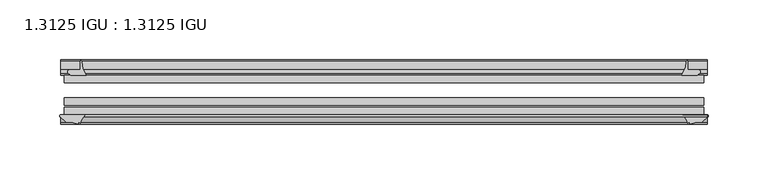
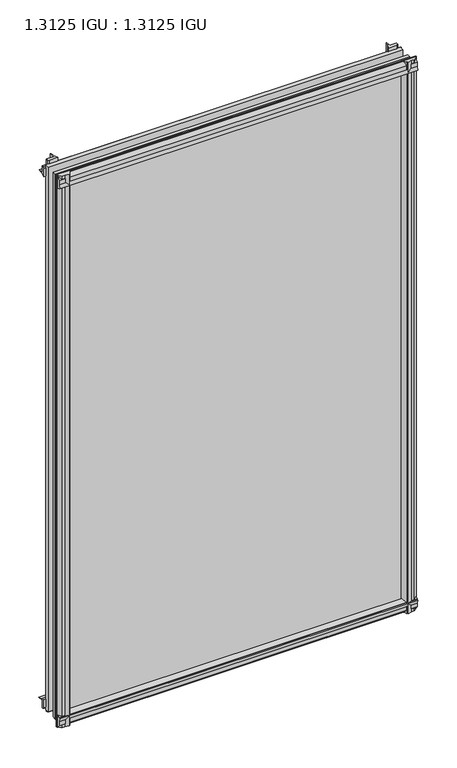
"""IFC4 building model written with IfcOpenShell, lengths in millimetres: plate geometry, 1.3125 IGU : 1.3125 IGU."""

from ifc_helpers import new_model, si_unit, point, frame, frame_2d, origin, place, context, project, spatial, polyline, circle_curve, trimmed, segment, composite_curve, outline, extrude, source, transform, mapped, element, save


def plate_1_3125_igu_1_3125_igu_10ec02ab(model_context):
    return source(origin(), model_context, "Body", "SweptSolid", [
        extrude(outline(composite_curve([segment(polyline([(-22.094825, 0.0), (-22.094825, -9.916835)]), True, "CONTINUOUS"), segment(trimmed(circle_curve(frame_2d((-23.669625, -9.916835)), 1.5748), [point((-22.094825, -9.916835))], [point((-24.8706146, -10.9354709))], False, "CARTESIAN"), True, "CONTINUOUS"), segment(polyline([(-24.8706146, -10.9354709), (-26.590625, -8.9075484), (-26.590625, 4.0446407)]), True, "CONTINUOUS"), segment(trimmed(circle_curve(frame_2d((-7.1839113, 38.4138813)), 39.4698015), [point((-26.590625, 4.0446407))], [point((-19.4504626, 0.8985917))], True, "CARTESIAN"), True, "CONTINUOUS"), segment(polyline([(-19.4504626, 0.8985917), (-13.3986538, 0.0), (-22.094825, 0.0)]), True, "CONTINUOUS")], self_intersect=False)), frame((-271.0672856, 0.0, 0.0), z_axis=(1.0, 0.0, 0.0), x_axis=(0.0, 1.0, 0.0)), (0.0, 0.0, 1.0), 542.1345713),
        extrude(outline(composite_curve([segment(trimmed(circle_curve(frame_2d((-67.8737919, 9.6311377)), 10.5748618), [point((-66.062225, -0.7874))], [point((-59.712225, 2.9068141))], True, "CARTESIAN"), True, "CONTINUOUS"), segment(polyline([(-59.712225, 2.9068141), (-59.712225, -18.0442511)]), True, "CONTINUOUS"), segment(trimmed(circle_curve(frame_2d((-60.728225, -18.0442511)), 1.016), [point((-59.712225, -18.0442511))], [point((-61.4950672, -18.7107412))], False, "CARTESIAN"), True, "CONTINUOUS"), segment(polyline([(-61.4950672, -18.7107412), (-66.062225, -13.4559149), (-66.062225, -7.4520336), (-67.637025, -1.5748), (-66.062225, -1.5748), (-66.062225, -0.7874)]), True, "CONTINUOUS")], self_intersect=False)), frame((-271.0672856, 0.0, 0.0), z_axis=(1.0, 0.0, 0.0), x_axis=(0.0, 1.0, 0.0)), (0.0, 0.0, 1.0), 542.1345713),
        extrude(outline(composite_curve([segment(polyline([(-66.062225, 857.9598774), (-61.4950672, 863.2147037)]), True, "CONTINUOUS"), segment(trimmed(circle_curve(frame_2d((-60.728225, 862.5482136)), 1.016), [point((-61.4950672, 863.2147037))], [point((-59.712225, 862.5482136))], False, "CARTESIAN"), True, "CONTINUOUS"), segment(polyline([(-59.712225, 862.5482136), (-59.712225, 842.0230921)]), True, "CONTINUOUS"), segment(trimmed(circle_curve(frame_2d((-66.4211348, 836.3932283)), 8.7581298), [point((-59.712225, 842.0230921))], [point((-66.062225, 845.1440009))], True, "CARTESIAN"), True, "CONTINUOUS"), segment(polyline([(-66.062225, 845.1440009), (-66.062225, 846.0787625), (-67.637025, 846.0787625), (-66.062225, 851.9559961), (-66.062225, 857.9598774)]), True, "CONTINUOUS")], self_intersect=False)), frame((-271.0672856, 0.0, 0.0), z_axis=(1.0, 0.0, 0.0), x_axis=(0.0, 1.0, 0.0)), (0.0, 0.0, 1.0), 542.1345713),
        extrude(outline(composite_curve([segment(polyline([(-26.590625, 840.4593218), (-26.590625, 853.4115109), (-24.8706146, 855.4394334)]), True, "CONTINUOUS"), segment(trimmed(circle_curve(frame_2d((-23.669625, 854.4207975)), 1.5748), [point((-24.8706146, 855.4394334))], [point((-22.094825, 854.4207975))], False, "CARTESIAN"), True, "CONTINUOUS"), segment(polyline([(-22.094825, 854.4207975), (-22.094825, 844.55), (-14.5883882, 844.55), (-18.3240316, 843.7633459)]), True, "CONTINUOUS"), segment(trimmed(circle_curve(frame_2d((-16.4585419, 831.134903)), 12.7654855), [point((-18.3240316, 843.7633459))], [point((-20.5939581, 843.2119869))], True, "CARTESIAN"), True, "CONTINUOUS"), segment(trimmed(circle_curve(frame_2d((-7.1839113, 806.0900812)), 39.4698015), [point((-20.5939581, 843.2119869))], [point((-26.590625, 840.4593218))], True, "CARTESIAN"), True, "CONTINUOUS")], self_intersect=False)), frame((-271.0672856, 0.0, 0.0), z_axis=(1.0, 0.0, 0.0), x_axis=(0.0, 1.0, 0.0)), (0.0, 0.0, 1.0), 542.1345713),
        extrude(outline(composite_curve([segment(polyline([(262.9063578, -26.590625), (249.9541687, -26.590625)]), True, "CONTINUOUS"), segment(trimmed(circle_curve(frame_2d((215.5849281, -7.1839113)), 39.4698015), [point((249.9541687, -26.590625))], [point((253.1002177, -19.4504626))], True, "CARTESIAN"), True, "CONTINUOUS"), segment(polyline([(253.1002177, -19.4504626), (253.7460927, -15.1006424)]), True, "CONTINUOUS"), segment(trimmed(circle_curve(frame_2d((254.5255781, -15.2120036)), 0.7874), [point((253.7460927, -15.1006424))], [point((254.7925594, -14.4712474))], False, "CARTESIAN"), True, "CONTINUOUS"), segment(polyline([(254.7925594, -14.4712474), (254.7925594, -22.094825), (263.9156444, -22.094825)]), True, "CONTINUOUS"), segment(trimmed(circle_curve(frame_2d((263.9156444, -23.669625)), 1.5748), [point((263.9156444, -22.094825))], [point((264.9342803, -24.8706146))], False, "CARTESIAN"), True, "CONTINUOUS"), segment(polyline([(264.9342803, -24.8706146), (262.9063578, -26.590625)]), True, "CONTINUOUS")], self_intersect=False)), frame((0.0, 0.0, -18.2728511), z_axis=(0.0, 0.0, 1.0), x_axis=(1.0, 0.0, 0.0)), (0.0, 0.0, 1.0), 882.1352548),
        extrude(outline(composite_curve([segment(polyline([(250.6477842, -59.712225), (271.2082109, -59.712225)]), True, "CONTINUOUS"), segment(trimmed(circle_curve(frame_2d((271.2082109, -60.728225)), 1.016), [point((271.2082109, -59.712225))], [point((271.874701, -61.4950672))], False, "CARTESIAN"), True, "CONTINUOUS"), segment(polyline([(271.874701, -61.4950672), (266.6198747, -66.062225), (262.644643, -66.062225), (256.7674094, -67.637025), (256.7674094, -66.062225), (255.6770537, -66.062225)]), True, "CONTINUOUS"), segment(trimmed(circle_curve(frame_2d((255.6770537, -66.849625)), 0.7874), [point((255.6770537, -66.062225))], [point((254.8993479, -66.7264485))], True, "CARTESIAN"), True, "CONTINUOUS"), segment(trimmed(circle_curve(frame_2d((241.8340313, -69.8501675)), 13.4335445), [point((254.8993479, -66.7264485))], [point((250.6477842, -59.712225))], True, "CARTESIAN"), True, "CONTINUOUS")], self_intersect=False)), frame((0.0, 0.0, -18.2728511), z_axis=(0.0, 0.0, 1.0), x_axis=(1.0, 0.0, 0.0)), (0.0, 0.0, 1.0), 882.1352548),
        extrude(outline(composite_curve([segment(polyline([(-253.7460927, -15.1006424), (-253.2716777, -18.2957187)]), True, "CONTINUOUS"), segment(trimmed(circle_curve(frame_2d((-240.7094045, -16.4304327)), 12.7), [point((-253.2716777, -18.2957187))], [point((-252.7229329, -20.5493081))], True, "CARTESIAN"), True, "CONTINUOUS"), segment(trimmed(circle_curve(frame_2d((-215.5849281, -7.1839113)), 39.4698015), [point((-252.7229329, -20.5493081))], [point((-249.9541687, -26.590625))], True, "CARTESIAN"), True, "CONTINUOUS"), segment(polyline([(-249.9541687, -26.590625), (-262.9063578, -26.590625), (-264.9342803, -24.8706146)]), True, "CONTINUOUS"), segment(trimmed(circle_curve(frame_2d((-263.9156444, -23.669625)), 1.5748), [point((-264.9342803, -24.8706146))], [point((-263.9156444, -22.094825))], False, "CARTESIAN"), True, "CONTINUOUS"), segment(polyline([(-263.9156444, -22.094825), (-254.7608094, -22.094825), (-254.7608094, -14.4605617)]), True, "CONTINUOUS"), segment(trimmed(circle_curve(frame_2d((-254.5255781, -15.2120036)), 0.7874), [point((-254.7608094, -14.4605617))], [point((-253.7460927, -15.1006424))], False, "CARTESIAN"), True, "CONTINUOUS")], self_intersect=False)), frame((0.0, 0.0, -18.2728511), z_axis=(0.0, 0.0, 1.0), x_axis=(1.0, 0.0, 0.0)), (0.0, 0.0, 1.0), 882.4847648),
        extrude(outline(composite_curve([segment(trimmed(circle_curve(frame_2d((-241.8340313, -69.8501675)), 13.4335445), [point((-250.6477842, -59.712225))], [point((-254.8993479, -66.7264485))], True, "CARTESIAN"), True, "CONTINUOUS"), segment(trimmed(circle_curve(frame_2d((-255.6770537, -66.849625)), 0.7874), [point((-254.8993479, -66.7264485))], [point((-255.6770537, -66.062225))], True, "CARTESIAN"), True, "CONTINUOUS"), segment(polyline([(-255.6770537, -66.062225), (-256.7674094, -66.062225), (-256.7674094, -67.637025), (-262.644643, -66.062225), (-266.6198747, -66.062225), (-271.874701, -61.4950672)]), True, "CONTINUOUS"), segment(trimmed(circle_curve(frame_2d((-271.2082109, -60.728225)), 1.016), [point((-271.874701, -61.4950672))], [point((-271.2082109, -59.712225))], False, "CARTESIAN"), True, "CONTINUOUS"), segment(polyline([(-271.2082109, -59.712225), (-250.6477842, -59.712225)]), True, "CONTINUOUS")], self_intersect=False)), frame((0.0, 0.0, -18.2728511), z_axis=(0.0, 0.0, 1.0), x_axis=(1.0, 0.0, 0.0)), (0.0, 0.0, 1.0), 882.4847648),
        extrude(outline(polyline([(-268.2863094, -26.590625), (268.2863094, -26.590625), (268.2863094, -32.889825), (-268.2863094, -32.889825), (-268.2863094, -26.590625)])), frame((0.0, 0.0, -12.8524), z_axis=(0.0, 0.0, 1.0), x_axis=(1.0, 0.0, 0.0)), (0.0, 0.0, 1.0), 871.6438625),
        extrude(outline(polyline([(268.2863094, -45.589825), (268.2863094, -51.889025), (-268.2863094, -51.889025), (-268.2863094, -45.589825), (268.2863094, -45.589825)])), frame((0.0, 0.0, -12.8524), z_axis=(0.0, 0.0, 1.0), x_axis=(1.0, 0.0, 0.0)), (0.0, 0.0, 1.0), 871.6438625),
        extrude(outline(polyline([(268.2863094, -53.413025), (268.2863094, -59.712225), (-268.2863094, -59.712225), (-268.2863094, -53.413025), (268.2863094, -53.413025)])), frame((0.0, 0.0, -12.8524), z_axis=(0.0, 0.0, 1.0), x_axis=(1.0, 0.0, 0.0)), (0.0, 0.0, 1.0), 871.6438625),
    ])


if __name__ == "__main__":
    model = new_model("IFC4")
    model_context = context("Model", 3, world=origin())
    ifc_project = project(units=[si_unit("LENGTHUNIT", "METRE", prefix="MILLI")], contexts=[model_context])
    site = spatial("IfcSite", under=ifc_project)
    building = spatial("IfcBuilding", under=site)
    placement = place(None, origin())
    plate_1_3125_igu_1_3125_igu_shape = plate_1_3125_igu_1_3125_igu_10ec02ab(model_context)
    element("IfcPlate", 1, ObjectType="1.3125 IGU : 1.3125 IGU", at=placement, inside=building, context=model_context, shape_type="MappedRepresentation", body=[
        mapped(plate_1_3125_igu_1_3125_igu_shape, transform((0.0, 0.0, 0.0), x_axis=(1.0, 0.0, 0.0), y_axis=(0.0, 1.0, 0.0), z_axis=(0.0, 0.0, 1.0))),
    ])
    save(model, "model.ifc")
